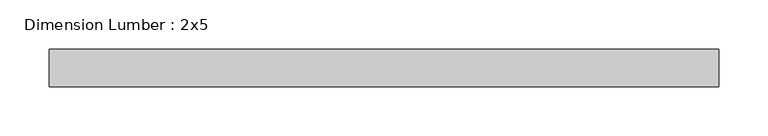
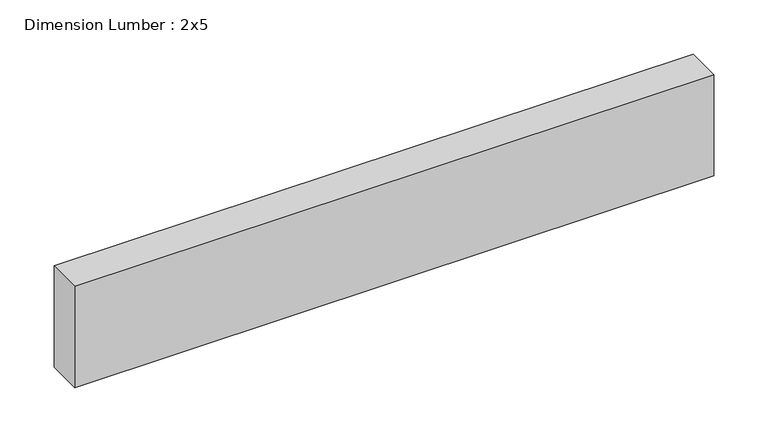
"""IFC4 building model written with IfcOpenShell, lengths in millimetres: beam geometry, Dimension Lumber : 2x5."""

import ifcopenshell
import ifcopenshell.guid

model = None  # the IFC model being written
_history = None  # IfcOwnerHistory: only IFC2X3 demands one
_inside = {}  # id of a spatial element -> (the spatial element, [elements in it])
_under = {}  # id of a project, library or spatial element -> (it, [spatial elements below it])
_declared = {}  # id of a project -> (the project, [libraries it declares])
_typed = {}  # id of a type object -> (the type object, [elements of that type])
_made_of = {}  # id of a material, layer set ... -> (it, [elements and type objects made of it])


def new_model(schema):
    """Start an empty IFC model of exactly this schema.

    Asked for "IFC4X3", IfcOpenShell would pick the latest addendum, in which some entities
    have other attributes; the version numbers below select the first issue.
    IFC2X3 requires an IfcOwnerHistory on every rooted entity: one is made here for all.
    """
    global model, _history
    if schema == "IFC4X3":
        model = ifcopenshell.file(schema_version=(4, 3, 0, 0))
    else:
        model = ifcopenshell.file(schema=schema)
    _inside.clear()
    _under.clear()
    _declared.clear()
    _typed.clear()
    _made_of.clear()
    _history = None
    if model.schema == "IFC2X3":
        org = make("IfcOrganization", Name="unknown")
        user = make(
            "IfcPersonAndOrganization",
            ThePerson=make("IfcPerson", FamilyName="unknown"),
            TheOrganization=org,
        )
        app = make(
            "IfcApplication",
            ApplicationDeveloper=org,
            Version="unknown",
            ApplicationFullName="unknown",
            ApplicationIdentifier="unknown",
        )
        _history = make(
            "IfcOwnerHistory",
            OwningUser=user,
            OwningApplication=app,
            ChangeAction="ADDED",
            CreationDate=0,
        )
    return model


def make(cls, **values):
    """One entity of the class cls with the attributes given. An attribute that is None is left unset."""
    return model.create_entity(
        cls, **{name: value for name, value in values.items() if value is not None}
    )


def rooted(cls, **values):
    """An entity with a GlobalId (a new one), such as an element, a storey or a relation."""
    return make(cls, GlobalId=ifcopenshell.guid.new(), OwnerHistory=_history, **values)


def si_unit(unit_type, name, prefix=None):
    """IfcSIUnit, for example si_unit("LENGTHUNIT", "METRE", prefix="MILLI")."""
    return make("IfcSIUnit", UnitType=unit_type, Prefix=prefix, Name=name)


def assignment(units):
    """IfcUnitAssignment: the units of a project."""
    return None if units is None else make("IfcUnitAssignment", Units=units)


def point(xyz):
    """IfcCartesianPoint."""
    return None if xyz is None else make("IfcCartesianPoint", Coordinates=xyz)


def direction(xyz):
    """IfcDirection."""
    return None if xyz is None else make("IfcDirection", DirectionRatios=xyz)


def frame(location, z_axis=None, x_axis=None):
    """IfcAxis2Placement3D, a coordinate frame: its origin and axes. An axis left out is left unset."""
    return make(
        "IfcAxis2Placement3D",
        Location=point(location),
        Axis=direction(z_axis),
        RefDirection=direction(x_axis),
    )


def origin():
    """The frame at (0, 0, 0) with its axes left unset."""
    return frame((0.0, 0.0, 0.0))


def place(relative_to, where):
    """IfcLocalPlacement: puts the frame where relative to a parent placement (None: the world)."""
    return make(
        "IfcLocalPlacement", PlacementRelTo=relative_to, RelativePlacement=where
    )


def context(
    kind, dimensions, precision=None, world=None, true_north=None, identifier=None
):
    """IfcGeometricRepresentationContext, for example the 3D "Model" context."""
    return make(
        "IfcGeometricRepresentationContext",
        ContextIdentifier=identifier,
        ContextType=kind,
        CoordinateSpaceDimension=dimensions,
        Precision=precision,
        WorldCoordinateSystem=world,
        TrueNorth=true_north,
    )


def project(units=None, contexts=None):
    """IfcProject with its units and contexts."""
    return rooted(
        "IfcProject",
        Name="project",
        RepresentationContexts=contexts,
        UnitsInContext=assignment(units),
    )


def spatial(cls, under=None, at=None, **own):
    """A site, building, storey or space (cls), placed at a placement, below another one or the project."""
    s = rooted(cls, ObjectPlacement=at, **own)
    if under is not None:
        _under.setdefault(under.id(), (under, []))[1].append(s)
    return s


def polyline(points):
    """IfcPolyline through the points."""
    return make("IfcPolyline", Points=[point(p) for p in points])


def outline(outer, holes=None, kind="AREA"):
    """IfcArbitraryClosedProfileDef: a profile drawn as a closed curve; with holes, ...WithVoids."""
    if holes is None:
        return make("IfcArbitraryClosedProfileDef", ProfileType=kind, OuterCurve=outer)
    return make(
        "IfcArbitraryProfileDefWithVoids",
        ProfileType=kind,
        OuterCurve=outer,
        InnerCurves=holes,
    )


def extrude(swept, where, along, depth):
    """IfcExtrudedAreaSolid: the profile swept, set in the frame where, extruded along a direction by depth."""
    return make(
        "IfcExtrudedAreaSolid",
        SweptArea=swept,
        Position=where,
        ExtrudedDirection=direction(along),
        Depth=depth,
    )


def shape(context_of_items, identifier, shape_type, items):
    """IfcShapeRepresentation: the items that make up one representation, for example the "Body"."""
    return make(
        "IfcShapeRepresentation",
        ContextOfItems=context_of_items,
        RepresentationIdentifier=identifier,
        RepresentationType=shape_type,
        Items=items,
    )


def source(mapping_origin, context_of_items, identifier, shape_type, items):
    """IfcRepresentationMap: a shape defined once, which mapped items show again and again."""
    return make(
        "IfcRepresentationMap",
        MappingOrigin=mapping_origin,
        MappedRepresentation=shape(context_of_items, identifier, shape_type, items),
    )


def transform(
    local_origin,
    x_axis=None,
    y_axis=None,
    z_axis=None,
    scale=None,
    scale2=None,
    scale3=None,
    uniform=True,
):
    """IfcCartesianTransformationOperator3D, or its non-uniform kind. x_axis, y_axis, z_axis: its Axis1, 2, 3."""
    if uniform:
        return make(
            "IfcCartesianTransformationOperator3D",
            Axis1=direction(x_axis),
            Axis2=direction(y_axis),
            LocalOrigin=point(local_origin),
            Scale=scale,
            Axis3=direction(z_axis),
        )
    return make(
        "IfcCartesianTransformationOperator3DnonUniform",
        Axis1=direction(x_axis),
        Axis2=direction(y_axis),
        LocalOrigin=point(local_origin),
        Scale=scale,
        Axis3=direction(z_axis),
        Scale2=scale2,
        Scale3=scale3,
    )


def mapped(mapping_source, mapping_target):
    """IfcMappedItem: shows the shape of a source again, moved by a transform."""
    return make(
        "IfcMappedItem", MappingSource=mapping_source, MappingTarget=mapping_target
    )


def made_of(thing, what):
    """Note that an element or type object is made of a material, layer set ...; save() writes the relation."""
    if what is not None:
        _made_of.setdefault(what.id(), (what, []))[1].append(thing)
    return thing


def element(
    cls,
    number,
    at=None,
    inside=None,
    cuts=None,
    type_object=None,
    material=None,
    context=None,
    identifier="Body",
    shape_type=None,
    held_by="IfcProductDefinitionShape",
    body=None,
    shapes=None,
    **own,
):
    """One element of the class cls, such as IfcWall. Its Tag is "e" and its number.

    at: its placement. inside: the storey or other place that contains it. cuts: it is an
    opening in that element (IfcRelVoidsElement). A single representation is given by context,
    identifier, shape_type and body (its items); several are given by shapes. held_by: the class
    of the entity that holds the representations. save() writes the other relations.
    """
    e = rooted(cls, Tag="e%d" % number, ObjectPlacement=at, **own)
    if body is not None:
        shapes = [shape(context, identifier, shape_type, body)]
    if shapes is not None:
        e.Representation = make(held_by, Representations=shapes)
    if inside is not None:
        _inside.setdefault(inside.id(), (inside, []))[1].append(e)
    if cuts is not None:
        rooted(
            "IfcRelVoidsElement", RelatingBuildingElement=cuts, RelatedOpeningElement=e
        )
    if type_object is not None:
        _typed.setdefault(type_object.id(), (type_object, []))[1].append(e)
    return made_of(e, material)


def aggregate(whole, parts):
    """IfcRelAggregates: a whole, such as a stair, and the parts it consists of."""
    return rooted("IfcRelAggregates", RelatingObject=whole, RelatedObjects=parts)


def save(model, path):
    """Write the relations noted so far, then the file.

    IfcRelAggregates (storeys below a building ...), IfcRelContainedInSpatialStructure (elements
    in a storey), IfcRelDefinesByType, IfcRelAssociatesMaterial and IfcRelDeclares: one each for
    every whole, place, type object, material and project.
    """
    for whole, parts in _under.values():
        aggregate(whole, parts)
    for where, things in _inside.values():
        rooted(
            "IfcRelContainedInSpatialStructure",
            RelatedElements=things,
            RelatingStructure=where,
        )
    for kind, things in _typed.values():
        rooted("IfcRelDefinesByType", RelatedObjects=things, RelatingType=kind)
    for what, things in _made_of.values():
        rooted("IfcRelAssociatesMaterial", RelatedObjects=things, RelatingMaterial=what)
    for by, libraries in _declared.values():
        rooted("IfcRelDeclares", RelatingContext=by, RelatedDefinitions=libraries)
    model.write(path)


def dimension_lumber_2x5_e92d182c(model_context):
    return source(origin(), model_context, "Body", "SweptSolid", [
        extrude(outline(polyline([(340.8593564, 19.05), (340.8593564, -19.05), (-340.8593564, -19.05), (-340.8593564, 19.05), (340.8593564, 19.05)])), frame((0.0, 0.0, -57.15), z_axis=(0.0, 0.0, 1.0), x_axis=(1.0, 0.0, 0.0)), (0.0, 0.0, 1.0), 114.3),
    ])


if __name__ == "__main__":
    model = new_model("IFC4")
    model_context = context("Model", 3, world=origin())
    ifc_project = project(units=[si_unit("LENGTHUNIT", "METRE", prefix="MILLI")], contexts=[model_context])
    site = spatial("IfcSite", under=ifc_project)
    building = spatial("IfcBuilding", under=site)
    placement = place(None, origin())
    dimension_lumber_2x5_shape = dimension_lumber_2x5_e92d182c(model_context)
    element("IfcBeam", 1, ObjectType="Dimension Lumber : 2x5", at=placement, inside=building, context=model_context, shape_type="MappedRepresentation", body=[
        mapped(dimension_lumber_2x5_shape, transform((0.0, 0.0, 0.0), x_axis=(1.0, 0.0, 0.0), y_axis=(0.0, 1.0, 0.0), z_axis=(0.0, 0.0, 1.0))),
    ])
    save(model, "model.ifc")
